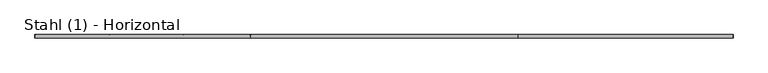
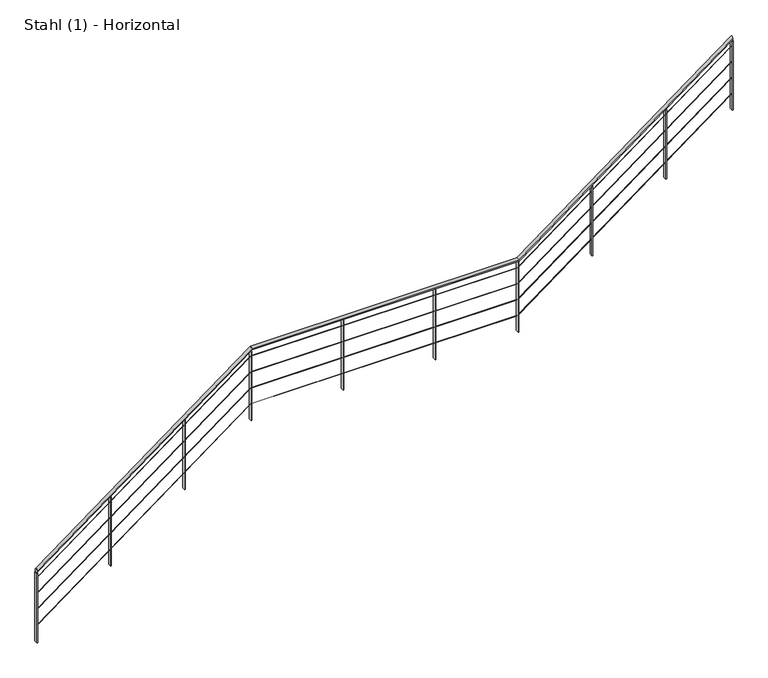
"""IFC4 building model written with IfcOpenShell, lengths in millimetres: railing geometry, Stahl (1) - Horizontal."""

from ifc_helpers import new_model, si_unit, frame, origin, place, context, project, spatial, polyline, ellipse_curve, outline, extrude, source, transform, mapped, element, save
from ifc_brep_helpers import plane_surface, cylinder_surface, advanced_brep


def stahl_1_horizontal_410c621a(model_context):
    return source(origin(), model_context, "Body", "SolidModel", [
        advanced_brep(
        [(-13549.4078582, 6533.8929131, 4785.0587002), (-13549.4078582, 6573.8929131, 4785.0587002), (-10992.7761137, 6533.8929131, 6690.0), (-10992.7761137, 6573.8929131, 6690.0), (-7819.9089492, 6533.8929131, 6690.0), (-7819.9089492, 6573.8929131, 6690.0), (-5276.5406936, 6533.8929131, 8585.0587002), (-5276.5406936, 6573.8929131, 8585.0587002)],
        [
            (0, 1, ellipse_curve(frame((-13549.4078582, 6553.8929131, 4785.0587002), z_axis=(-1.0, 0.0, 0.0), x_axis=(0.0, 0.0, -1.0)), 24.9412998, 20.0)),
            (1, 0, ellipse_curve(frame((-13549.4078582, 6553.8929131, 4785.0587002), z_axis=(-1.0, 0.0, 0.0), x_axis=(0.0, 0.0, -1.0)), 24.9412998, 20.0)),
            (0, 2),
            (2, 3, ellipse_curve(frame((-10992.7761137, 6553.8929131, 6690.0), z_axis=(-0.949179337009977, 0.0, -0.3147357402541068), x_axis=(0.3147357402541071, 0.0, -0.9491793370099768)), 21.0708337, 20.0)),
            (3, 1),
            (3, 2, ellipse_curve(frame((-10992.7761137, 6553.8929131, 6690.0), z_axis=(-0.949179337009977, 0.0, -0.3147357402541068), x_axis=(0.3147357402541071, 0.0, -0.9491793370099768)), 21.0708337, 20.0)),
            (2, 4),
            (4, 5, ellipse_curve(frame((-7819.9089492, 6553.8929131, 6690.0), z_axis=(-0.9491793370099771, 0.0, -0.3147357402541066), x_axis=(-0.3147357402541059, 0.0, 0.9491793370099773)), 21.0708337, 20.0)),
            (5, 3),
            (5, 4, ellipse_curve(frame((-7819.9089492, 6553.8929131, 6690.0), z_axis=(-0.9491793370099771, 0.0, -0.3147357402541066), x_axis=(-0.3147357402541059, 0.0, 0.9491793370099773)), 21.0708337, 20.0)),
            (6, 7, ellipse_curve(frame((-5276.5406936, 6553.8929131, 8585.0587002), z_axis=(1.0, 0.0, 0.0), x_axis=(0.0, 0.0, -1.0)), 24.9412998, 20.0)),
            (7, 6, ellipse_curve(frame((-5276.5406936, 6553.8929131, 8585.0587002), z_axis=(1.0, 0.0, 0.0), x_axis=(0.0, 0.0, -1.0)), 24.9412998, 20.0)),
            (4, 6),
            (7, 5),
        ],
        [
            plane_surface(frame((-13549.4078582, 6553.8929131, 4810.0), z_axis=(-1.0, 0.0, 0.0), x_axis=(0.0, 1.0, 0.0))),
            cylinder_surface(frame((-13537.4582317, 6553.8929131, 4793.9623434), z_axis=(-0.8018828276133989, 0.0, -0.5974813225354747), x_axis=(0.0, 1.0, 0.0)), 20.0),
            cylinder_surface(frame((-10999.4078582, 6553.8929131, 6690.0), z_axis=(-1.0, 0.0, 0.0), x_axis=(0.0, 1.0, 0.0)), 20.0),
            plane_surface(frame((-5276.5406936, 6553.8929131, 8610.0), z_axis=(1.0, 0.0, 0.0), x_axis=(0.0, 1.0, 0.0))),
            cylinder_surface(frame((-7814.5910672, 6553.8929131, 6693.9623434), z_axis=(-0.8018828276133991, 0.0, -0.5974813225354744), x_axis=(0.0, 1.0, 0.0)), 20.0),
        ],
        [
            (0, [[1, 2]]),
            (1, [[-1, 3, 4, 5]]),
            (1, [[-2, -5, 6, -3]]),
            (2, [[-4, 7, 8, 9]]),
            (2, [[-6, -9, 10, -7]]),
            (3, [[11, 12]]),
            (4, [[-8, 13, -12, 14]]),
            (4, [[-10, -14, -11, -13]]),
        ],
    ),
        advanced_brep(
        [(-13549.4078582, 6552.3929131, 4688.1294025), (-13549.4078582, 6555.3929131, 4688.1294025), (-10998.9104773, 6552.3929131, 6588.5), (-10998.9104773, 6555.3929131, 6588.5), (-7826.0433128, 6552.3929131, 6588.5), (-7826.0433128, 6555.3929131, 6588.5), (-5276.5406936, 6552.3929131, 8488.1294025), (-5276.5406936, 6555.3929131, 8488.1294025)],
        [
            (0, 1, ellipse_curve(frame((-13549.4078582, 6553.8929131, 4688.1294025), z_axis=(-1.0, 0.0, 0.0), x_axis=(0.0, 0.0, -1.0)), 1.8705975, 1.5)),
            (1, 0, ellipse_curve(frame((-13549.4078582, 6553.8929131, 4688.1294025), z_axis=(-1.0, 0.0, 0.0), x_axis=(0.0, 0.0, -1.0)), 1.8705975, 1.5)),
            (0, 2),
            (2, 3, ellipse_curve(frame((-10998.9104773, 6553.8929131, 6588.5), z_axis=(-0.949179337009977, 0.0, -0.3147357402541068), x_axis=(0.3147357402541071, 0.0, -0.9491793370099768)), 1.5803125, 1.5)),
            (3, 1),
            (3, 2, ellipse_curve(frame((-10998.9104773, 6553.8929131, 6588.5), z_axis=(-0.949179337009977, 0.0, -0.3147357402541068), x_axis=(0.3147357402541071, 0.0, -0.9491793370099768)), 1.5803125, 1.5)),
            (2, 4),
            (4, 5, ellipse_curve(frame((-7826.0433128, 6553.8929131, 6588.5), z_axis=(-0.9491793370099771, 0.0, -0.3147357402541066), x_axis=(-0.3147357402541059, 0.0, 0.9491793370099773)), 1.5803125, 1.5)),
            (5, 3),
            (5, 4, ellipse_curve(frame((-7826.0433128, 6553.8929131, 6588.5), z_axis=(-0.9491793370099771, 0.0, -0.3147357402541066), x_axis=(-0.3147357402541059, 0.0, 0.9491793370099773)), 1.5803125, 1.5)),
            (6, 7, ellipse_curve(frame((-5276.5406936, 6553.8929131, 8488.1294025), z_axis=(1.0, 0.0, 0.0), x_axis=(0.0, 0.0, -1.0)), 1.8705975, 1.5)),
            (7, 6, ellipse_curve(frame((-5276.5406936, 6553.8929131, 8488.1294025), z_axis=(1.0, 0.0, 0.0), x_axis=(0.0, 0.0, -1.0)), 1.8705975, 1.5)),
            (4, 6),
            (7, 5),
        ],
        [
            plane_surface(frame((-13549.4078582, 6553.8929131, 4690.0), z_axis=(-1.0, 0.0, 0.0), x_axis=(0.0, 1.0, 0.0))),
            cylinder_surface(frame((-13548.5116362, 6553.8929131, 4688.7971758), z_axis=(-0.8018828276133989, 0.0, -0.5974813225354747), x_axis=(0.0, 1.0, 0.0)), 1.5),
            cylinder_surface(frame((-10999.4078582, 6553.8929131, 6588.5), z_axis=(-1.0, 0.0, 0.0), x_axis=(0.0, 1.0, 0.0)), 1.5),
            plane_surface(frame((-5276.5406936, 6553.8929131, 8490.0), z_axis=(1.0, 0.0, 0.0), x_axis=(0.0, 1.0, 0.0))),
            cylinder_surface(frame((-7825.6444716, 6553.8929131, 6588.7971758), z_axis=(-0.8018828276133991, 0.0, -0.5974813225354744), x_axis=(0.0, 1.0, 0.0)), 1.5),
        ],
        [
            (0, [[1, 2]]),
            (1, [[-1, 3, 4, 5]]),
            (1, [[-2, -5, 6, -3]]),
            (2, [[-4, 7, 8, 9]]),
            (2, [[-6, -9, 10, -7]]),
            (3, [[11, 12]]),
            (4, [[-8, 13, -12, 14]]),
            (4, [[-10, -14, -11, -13]]),
        ],
    ),
        advanced_brep(
        [(-13549.4078582, 6552.3929131, 4488.1294025), (-13549.4078582, 6555.3929131, 4488.1294025), (-10998.9104773, 6552.3929131, 6388.5), (-10998.9104773, 6555.3929131, 6388.5), (-7826.0433128, 6552.3929131, 6388.5), (-7826.0433128, 6555.3929131, 6388.5), (-5276.5406936, 6552.3929131, 8288.1294025), (-5276.5406936, 6555.3929131, 8288.1294025)],
        [
            (0, 1, ellipse_curve(frame((-13549.4078582, 6553.8929131, 4488.1294025), z_axis=(-1.0, 0.0, 0.0), x_axis=(0.0, 0.0, -1.0)), 1.8705975, 1.5)),
            (1, 0, ellipse_curve(frame((-13549.4078582, 6553.8929131, 4488.1294025), z_axis=(-1.0, 0.0, 0.0), x_axis=(0.0, 0.0, -1.0)), 1.8705975, 1.5)),
            (0, 2),
            (2, 3, ellipse_curve(frame((-10998.9104773, 6553.8929131, 6388.5), z_axis=(-0.949179337009977, 0.0, -0.3147357402541068), x_axis=(0.3147357402541071, 0.0, -0.9491793370099768)), 1.5803125, 1.5)),
            (3, 1),
            (3, 2, ellipse_curve(frame((-10998.9104773, 6553.8929131, 6388.5), z_axis=(-0.949179337009977, 0.0, -0.3147357402541068), x_axis=(0.3147357402541071, 0.0, -0.9491793370099768)), 1.5803125, 1.5)),
            (2, 4),
            (4, 5, ellipse_curve(frame((-7826.0433128, 6553.8929131, 6388.5), z_axis=(-0.9491793370099771, 0.0, -0.3147357402541066), x_axis=(-0.3147357402541059, 0.0, 0.9491793370099773)), 1.5803125, 1.5)),
            (5, 3),
            (5, 4, ellipse_curve(frame((-7826.0433128, 6553.8929131, 6388.5), z_axis=(-0.9491793370099771, 0.0, -0.3147357402541066), x_axis=(-0.3147357402541059, 0.0, 0.9491793370099773)), 1.5803125, 1.5)),
            (6, 7, ellipse_curve(frame((-5276.5406936, 6553.8929131, 8288.1294025), z_axis=(1.0, 0.0, 0.0), x_axis=(0.0, 0.0, -1.0)), 1.8705975, 1.5)),
            (7, 6, ellipse_curve(frame((-5276.5406936, 6553.8929131, 8288.1294025), z_axis=(1.0, 0.0, 0.0), x_axis=(0.0, 0.0, -1.0)), 1.8705975, 1.5)),
            (4, 6),
            (7, 5),
        ],
        [
            plane_surface(frame((-13549.4078582, 6553.8929131, 4490.0), z_axis=(-1.0, 0.0, 0.0), x_axis=(0.0, 1.0, 0.0))),
            cylinder_surface(frame((-13548.5116362, 6553.8929131, 4488.7971758), z_axis=(-0.8018828276133989, 0.0, -0.5974813225354747), x_axis=(0.0, 1.0, 0.0)), 1.5),
            cylinder_surface(frame((-10999.4078582, 6553.8929131, 6388.5), z_axis=(-1.0, 0.0, 0.0), x_axis=(0.0, 1.0, 0.0)), 1.5),
            plane_surface(frame((-5276.5406936, 6553.8929131, 8290.0), z_axis=(1.0, 0.0, 0.0), x_axis=(0.0, 1.0, 0.0))),
            cylinder_surface(frame((-7825.6444716, 6553.8929131, 6388.7971758), z_axis=(-0.8018828276133991, 0.0, -0.5974813225354744), x_axis=(0.0, 1.0, 0.0)), 1.5),
        ],
        [
            (0, [[1, 2]]),
            (1, [[-1, 3, 4, 5]]),
            (1, [[-2, -5, 6, -3]]),
            (2, [[-4, 7, 8, 9]]),
            (2, [[-6, -9, 10, -7]]),
            (3, [[11, 12]]),
            (4, [[-8, 13, -12, 14]]),
            (4, [[-10, -14, -11, -13]]),
        ],
    ),
        advanced_brep(
        [(-13549.4078582, 6552.3929131, 4288.1294025), (-13549.4078582, 6555.3929131, 4288.1294025), (-10998.9104773, 6552.3929131, 6188.5), (-10998.9104773, 6555.3929131, 6188.5), (-7826.0433128, 6552.3929131, 6188.5), (-7826.0433128, 6555.3929131, 6188.5), (-5276.5406936, 6552.3929131, 8088.1294025), (-5276.5406936, 6555.3929131, 8088.1294025)],
        [
            (0, 1, ellipse_curve(frame((-13549.4078582, 6553.8929131, 4288.1294025), z_axis=(-1.0, 0.0, 0.0), x_axis=(0.0, 0.0, -1.0)), 1.8705975, 1.5)),
            (1, 0, ellipse_curve(frame((-13549.4078582, 6553.8929131, 4288.1294025), z_axis=(-1.0, 0.0, 0.0), x_axis=(0.0, 0.0, -1.0)), 1.8705975, 1.5)),
            (0, 2),
            (2, 3, ellipse_curve(frame((-10998.9104773, 6553.8929131, 6188.5), z_axis=(-0.949179337009977, 0.0, -0.3147357402541068), x_axis=(0.3147357402541071, 0.0, -0.9491793370099768)), 1.5803125, 1.5)),
            (3, 1),
            (3, 2, ellipse_curve(frame((-10998.9104773, 6553.8929131, 6188.5), z_axis=(-0.949179337009977, 0.0, -0.3147357402541068), x_axis=(0.3147357402541071, 0.0, -0.9491793370099768)), 1.5803125, 1.5)),
            (2, 4),
            (4, 5, ellipse_curve(frame((-7826.0433128, 6553.8929131, 6188.5), z_axis=(-0.9491793370099771, 0.0, -0.3147357402541066), x_axis=(-0.3147357402541059, 0.0, 0.9491793370099773)), 1.5803125, 1.5)),
            (5, 3),
            (5, 4, ellipse_curve(frame((-7826.0433128, 6553.8929131, 6188.5), z_axis=(-0.9491793370099771, 0.0, -0.3147357402541066), x_axis=(-0.3147357402541059, 0.0, 0.9491793370099773)), 1.5803125, 1.5)),
            (6, 7, ellipse_curve(frame((-5276.5406936, 6553.8929131, 8088.1294025), z_axis=(1.0, 0.0, 0.0), x_axis=(0.0, 0.0, -1.0)), 1.8705975, 1.5)),
            (7, 6, ellipse_curve(frame((-5276.5406936, 6553.8929131, 8088.1294025), z_axis=(1.0, 0.0, 0.0), x_axis=(0.0, 0.0, -1.0)), 1.8705975, 1.5)),
            (4, 6),
            (7, 5),
        ],
        [
            plane_surface(frame((-13549.4078582, 6553.8929131, 4290.0), z_axis=(-1.0, 0.0, 0.0), x_axis=(0.0, 1.0, 0.0))),
            cylinder_surface(frame((-13548.5116362, 6553.8929131, 4288.7971758), z_axis=(-0.8018828276133989, 0.0, -0.5974813225354747), x_axis=(0.0, 1.0, 0.0)), 1.5),
            cylinder_surface(frame((-10999.4078582, 6553.8929131, 6188.5), z_axis=(-1.0, 0.0, 0.0), x_axis=(0.0, 1.0, 0.0)), 1.5),
            plane_surface(frame((-5276.5406936, 6553.8929131, 8090.0), z_axis=(1.0, 0.0, 0.0), x_axis=(0.0, 1.0, 0.0))),
            cylinder_surface(frame((-7825.6444716, 6553.8929131, 6188.7971758), z_axis=(-0.8018828276133991, 0.0, -0.5974813225354744), x_axis=(0.0, 1.0, 0.0)), 1.5),
        ],
        [
            (0, [[1, 2]]),
            (1, [[-1, 3, 4, 5]]),
            (1, [[-2, -5, 6, -3]]),
            (2, [[-4, 7, 8, 9]]),
            (2, [[-6, -9, 10, -7]]),
            (3, [[11, 12]]),
            (4, [[-8, 13, -12, 14]]),
            (4, [[-10, -14, -11, -13]]),
        ],
    ),
        advanced_brep(
        [(-13549.4078582, 6552.3929131, 4088.1294025), (-13549.4078582, 6555.3929131, 4088.1294025), (-10998.9104773, 6552.3929131, 5988.5), (-10998.9104773, 6555.3929131, 5988.5), (-7826.0433128, 6552.3929131, 5988.5), (-7826.0433128, 6555.3929131, 5988.5), (-5276.5406936, 6552.3929131, 7888.1294025), (-5276.5406936, 6555.3929131, 7888.1294025)],
        [
            (0, 1, ellipse_curve(frame((-13549.4078582, 6553.8929131, 4088.1294025), z_axis=(-1.0, 0.0, 0.0), x_axis=(0.0, 0.0, -1.0)), 1.8705975, 1.5)),
            (1, 0, ellipse_curve(frame((-13549.4078582, 6553.8929131, 4088.1294025), z_axis=(-1.0, 0.0, 0.0), x_axis=(0.0, 0.0, -1.0)), 1.8705975, 1.5)),
            (0, 2),
            (2, 3, ellipse_curve(frame((-10998.9104773, 6553.8929131, 5988.5), z_axis=(-0.949179337009977, 0.0, -0.3147357402541068), x_axis=(0.3147357402541071, 0.0, -0.9491793370099768)), 1.5803125, 1.5)),
            (3, 1),
            (3, 2, ellipse_curve(frame((-10998.9104773, 6553.8929131, 5988.5), z_axis=(-0.949179337009977, 0.0, -0.3147357402541068), x_axis=(0.3147357402541071, 0.0, -0.9491793370099768)), 1.5803125, 1.5)),
            (2, 4),
            (4, 5, ellipse_curve(frame((-7826.0433128, 6553.8929131, 5988.5), z_axis=(-0.9491793370099771, 0.0, -0.3147357402541066), x_axis=(-0.3147357402541059, 0.0, 0.9491793370099773)), 1.5803125, 1.5)),
            (5, 3),
            (5, 4, ellipse_curve(frame((-7826.0433128, 6553.8929131, 5988.5), z_axis=(-0.9491793370099771, 0.0, -0.3147357402541066), x_axis=(-0.3147357402541059, 0.0, 0.9491793370099773)), 1.5803125, 1.5)),
            (6, 7, ellipse_curve(frame((-5276.5406936, 6553.8929131, 7888.1294025), z_axis=(1.0, 0.0, 0.0), x_axis=(0.0, 0.0, -1.0)), 1.8705975, 1.5)),
            (7, 6, ellipse_curve(frame((-5276.5406936, 6553.8929131, 7888.1294025), z_axis=(1.0, 0.0, 0.0), x_axis=(0.0, 0.0, -1.0)), 1.8705975, 1.5)),
            (4, 6),
            (7, 5),
        ],
        [
            plane_surface(frame((-13549.4078582, 6553.8929131, 4090.0), z_axis=(-1.0, 0.0, 0.0), x_axis=(0.0, 1.0, 0.0))),
            cylinder_surface(frame((-13548.5116362, 6553.8929131, 4088.7971758), z_axis=(-0.8018828276133989, 0.0, -0.5974813225354747), x_axis=(0.0, 1.0, 0.0)), 1.5),
            cylinder_surface(frame((-10999.4078582, 6553.8929131, 5988.5), z_axis=(-1.0, 0.0, 0.0), x_axis=(0.0, 1.0, 0.0)), 1.5),
            plane_surface(frame((-5276.5406936, 6553.8929131, 7890.0), z_axis=(1.0, 0.0, 0.0), x_axis=(0.0, 1.0, 0.0))),
            cylinder_surface(frame((-7825.6444716, 6553.8929131, 5988.7971758), z_axis=(-0.8018828276133991, 0.0, -0.5974813225354744), x_axis=(0.0, 1.0, 0.0)), 1.5),
        ],
        [
            (0, [[1, 2]]),
            (1, [[-1, 3, 4, 5]]),
            (1, [[-2, -5, 6, -3]]),
            (2, [[-4, 7, 8, 9]]),
            (2, [[-6, -9, 10, -7]]),
            (3, [[11, 12]]),
            (4, [[-8, 13, -12, 14]]),
            (4, [[-10, -14, -11, -13]]),
        ],
    ),
        extrude(outline(polyline([(7100.3448276, -6071.920004), (7100.3448276, -6063.920004), (7973.4426202, -6063.920004), (7967.4818358, -6071.920004), (7100.3448276, -6071.920004)])), frame((0.0, 6533.8929131, 0.0), z_axis=(0.0, 1.0, 0.0), x_axis=(0.0, 0.0, 1.0)), (0.0, 0.0, 1.0), 40.0),
        extrude(outline(polyline([(6445.1724138, -6951.2303488), (6445.1724138, -6943.2303488), (7318.2702064, -6943.2303488), (7312.3094221, -6951.2303488), (6445.1724138, -6951.2303488)])), frame((0.0, 6533.8929131, 0.0), z_axis=(0.0, 1.0, 0.0), x_axis=(0.0, 0.0, 1.0)), (0.0, 0.0, 1.0), 40.0),
        extrude(outline(polyline([(-8815.2236067, 6573.8929131), (-8807.2236067, 6573.8929131), (-8807.2236067, 6533.8929131), (-8815.2236067, 6533.8929131), (-8815.2236067, 6573.8929131)])), frame((0.0, 0.0, 5790.0), z_axis=(0.0, 0.0, 1.0), x_axis=(1.0, 0.0, 0.0)), (0.0, 0.0, 1.0), 880.0),
        extrude(outline(polyline([(-9909.3157325, 6573.8929131), (-9901.3157325, 6573.8929131), (-9901.3157325, 6533.8929131), (-9909.3157325, 6533.8929131), (-9909.3157325, 6573.8929131)])), frame((0.0, 0.0, 5790.0), z_axis=(0.0, 0.0, 1.0), x_axis=(1.0, 0.0, 0.0)), (0.0, 0.0, 1.0), 880.0),
        extrude(outline(polyline([(5200.3448276, -11794.7871685), (5200.3448276, -11786.7871685), (6073.4426202, -11786.7871685), (6067.4818358, -11794.7871685), (5200.3448276, -11794.7871685)])), frame((0.0, 6533.8929131, 0.0), z_axis=(0.0, 1.0, 0.0), x_axis=(0.0, 0.0, 1.0)), (0.0, 0.0, 1.0), 40.0),
        extrude(outline(polyline([(4545.1724138, -12674.0975133), (4545.1724138, -12666.0975133), (5418.2702064, -12666.0975133), (5412.3094221, -12674.0975133), (4545.1724138, -12674.0975133)])), frame((0.0, 6533.8929131, 0.0), z_axis=(0.0, 1.0, 0.0), x_axis=(0.0, 0.0, 1.0)), (0.0, 0.0, 1.0), 40.0),
        extrude(outline(polyline([(-7830.5406936, 6573.8929131), (-7822.5406936, 6573.8929131), (-7822.5406936, 6533.8929131), (-7830.5406936, 6533.8929131), (-7830.5406936, 6573.8929131)])), frame((0.0, 0.0, 5790.0), z_axis=(0.0, 0.0, 1.0), x_axis=(1.0, 0.0, 0.0)), (0.0, 0.0, 1.0), 880.0),
        extrude(outline(polyline([(5790.0, -11003.4078582), (5790.0, -10995.4078582), (6663.0977926, -10995.4078582), (6657.1370083, -11003.4078582), (5790.0, -11003.4078582)])), frame((0.0, 6533.8929131, 0.0), z_axis=(0.0, 1.0, 0.0), x_axis=(0.0, 0.0, 1.0)), (0.0, 0.0, 1.0), 40.0),
        extrude(outline(polyline([(7690.0, -5280.5406936), (7690.0, -5272.5406936), (8563.0977926, -5272.5406936), (8557.1370083, -5280.5406936), (7690.0, -5280.5406936)])), frame((0.0, 6533.8929131, 0.0), z_axis=(0.0, 1.0, 0.0), x_axis=(0.0, 0.0, 1.0)), (0.0, 0.0, 1.0), 40.0),
        extrude(outline(polyline([(3890.0, -13553.4078582), (3890.0, -13545.4078582), (4763.0977926, -13545.4078582), (4757.1370083, -13553.4078582), (3890.0, -13553.4078582)])), frame((0.0, 6533.8929131, 0.0), z_axis=(0.0, 1.0, 0.0), x_axis=(0.0, 0.0, 1.0)), (0.0, 0.0, 1.0), 40.0),
    ])


if __name__ == "__main__":
    model = new_model("IFC4")
    model_context = context("Model", 3, world=origin())
    ifc_project = project(units=[si_unit("LENGTHUNIT", "METRE", prefix="MILLI")], contexts=[model_context])
    site = spatial("IfcSite", under=ifc_project)
    building = spatial("IfcBuilding", under=site)
    placement = place(None, origin())
    stahl_1_horizontal_shape = stahl_1_horizontal_410c621a(model_context)
    element("IfcRailing", 1, ObjectType="Stahl (1) - Horizontal", at=placement, inside=building, context=model_context, shape_type="MappedRepresentation", body=[
        mapped(stahl_1_horizontal_shape, transform((0.0, 0.0, 0.0), x_axis=(1.0, 0.0, 0.0), y_axis=(0.0, 1.0, 0.0), z_axis=(0.0, 0.0, 1.0))),
    ])
    save(model, "model.ifc")
